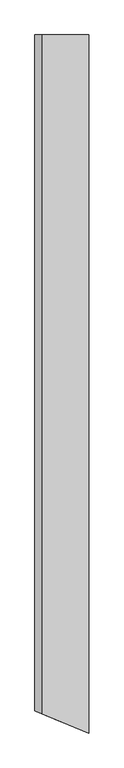
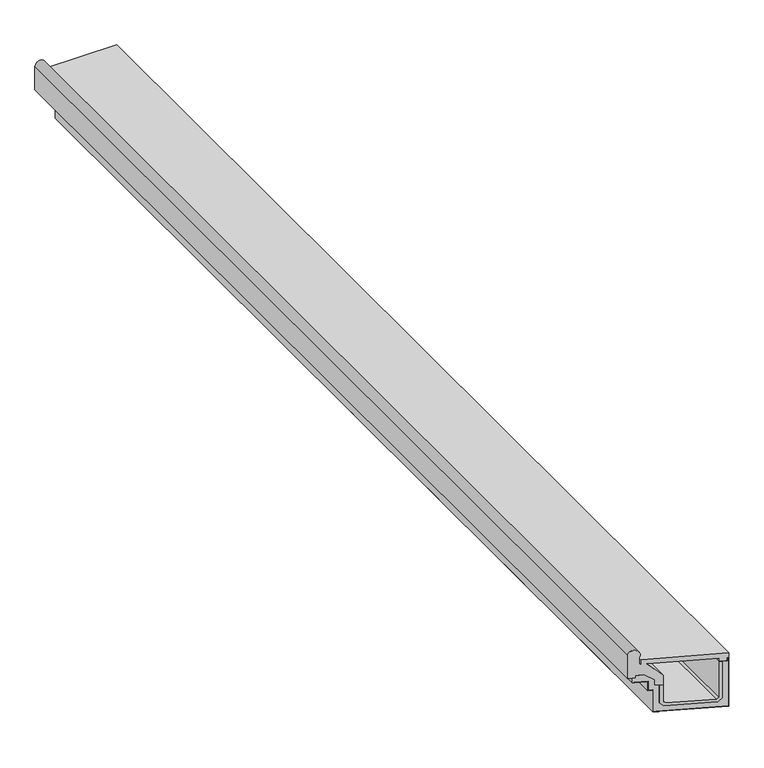
"""IFC4 building model written with IfcOpenShell, lengths in millimetres: proxy geometry."""

from ifc_helpers import new_model, si_unit, frame, origin, place, context, project, spatial, circle_curve, ellipse_curve, faceted_brep, source, transform, mapped, element, save
from ifc_brep_helpers import plane_surface, cylinder_surface, advanced_brep


def generic_models_37e9f6eb(model_context):
    return source(origin(), model_context, "Body", "SolidModel", [
        faceted_brep([(100.0, 2084.0696629, 35.6610034), (100.0, 2084.0696629, 108.8368406), (112.0, 2084.0696629, 108.8368406), (112.0, 2084.0696629, 40.6315661), (119.6315661, 2084.0696629, 33.0), (280.3684339, 2084.0696629, 33.0), (288.0, 2084.0696629, 40.6315661), (288.0, 2084.0696629, 189.0), (300.0, 2084.0696629, 189.0), (300.0, 2084.0696629, 35.6610034), (285.3389966, 2084.0696629, 21.0), (114.6610034, 2084.0696629, 21.0), (100.0, -1992.5284656, 35.6610034), (100.0, -1992.5284656, 108.8368406), (112.0, -1997.4990283, 108.8368406), (112.0, -1997.4990283, 40.6315661), (119.6315661, -2000.6601265, 33.0), (280.3684339, -2067.2395171, 33.0), (288.0, -2070.4006153, 40.6315661), (288.0, -2070.4006153, 189.0), (300.0, -2075.371178, 189.0), (300.0, -2075.371178, 35.6610034), (285.3389966, -2069.2983916, 21.0), (114.6610034, -1998.601252, 21.0)], [[[0, 1, 2, 3, 4, 5, 6, 7, 8, 9, 10, 11]], [[1, 0, 12, 13]], [[2, 1, 13, 14]], [[3, 2, 14, 15]], [[4, 3, 15, 16]], [[5, 4, 16, 17]], [[6, 5, 17, 18]], [[7, 6, 18, 19]], [[8, 7, 19, 20]], [[9, 8, 20, 21]], [[10, 9, 21, 22]], [[11, 10, 22, 23]], [[0, 11, 23, 12]], [[13, 12, 23, 22, 21, 20, 19, 18, 17, 16, 15, 14]]]),
        faceted_brep([(321.0, -2084.0696629, 201.0), (320.0, -2083.6554493, 201.0), (320.0, -2083.6554493, 1.0), (80.0, -1984.2441943, 1.0), (80.0, -1984.2441943, 90.8368406), (65.0, -1978.0309909, 90.8368406), (65.0, -1978.0309909, 128.0), (20.0, -1959.3913806, 128.0), (20.0, -1959.3913806, 127.0), (64.0, -1977.6167773, 127.0), (64.0, -1977.6167773, 89.8368406), (79.0, -1983.8299808, 89.8368406), (79.0, -1983.8299808, 0.0), (321.0, -2084.0696629, 0.0), (321.0, 2084.0696629, 201.0), (320.0, 2084.0696629, 201.0), (321.0, 2084.0696629, 0.0), (79.0, 2084.0696629, 0.0), (79.0, 2084.0696629, 89.8368406), (64.0, 2084.0696629, 89.8368406), (64.0, 2084.0696629, 127.0), (20.0, 2084.0696629, 127.0), (20.0, 2084.0696629, 128.0), (65.0, 2084.0696629, 128.0), (65.0, 2084.0696629, 90.8368406), (80.0, 2084.0696629, 90.8368406), (80.0, 2084.0696629, 1.0), (320.0, 2084.0696629, 1.0)], [[[0, 1, 2, 3, 4, 5, 6, 7, 8, 9, 10, 11, 12, 13]], [[14, 15, 1, 0]], [[16, 14, 0, 13]], [[17, 16, 13, 12]], [[18, 17, 12, 11]], [[19, 18, 11, 10]], [[20, 19, 10, 9]], [[21, 20, 9, 8]], [[22, 21, 8, 7]], [[23, 22, 7, 6]], [[24, 23, 6, 5]], [[25, 24, 5, 4]], [[26, 25, 4, 3]], [[27, 26, 3, 2]], [[15, 27, 2, 1]], [[15, 14, 16, 17, 18, 19, 20, 21, 22, 23, 24, 25, 26, 27]]]),
        faceted_brep([(300.0, -2075.371178, 35.6610034), (285.3389966, -2069.2983916, 21.0), (114.6610034, -1998.601252, 21.0), (100.0, -1992.5284656, 35.6610034), (100.0, -1992.5284656, 108.8368406), (85.0, -1986.3152621, 108.8368406), (85.0, -1986.3152621, 132.3375819), (50.4946801, -1972.0226906, 156.0), (25.5239009, -1961.6794553, 156.0), (25.5239009, -1961.6794553, 146.0), (15.0, -1957.3203128, 146.0), (15.0, -1957.3203128, 127.0), (20.0, -1959.3913806, 127.0), (20.0, -1959.3913806, 128.0), (65.0, -1978.0309909, 128.0), (65.0, -1978.0309909, 90.8368406), (80.0, -1984.2441943, 90.8368406), (80.0, -1984.2441943, 1.0), (320.0, -2083.6554493, 1.0), (320.0, -2083.6554493, 201.0), (315.0, -2081.5843815, 201.0), (315.0, -2081.5843815, 189.0), (300.0, -2075.371178, 189.0), (300.0, 2084.0696629, 35.6610034), (285.3389966, 2084.0696629, 21.0), (300.0, 2084.0696629, 189.0), (315.0, 2084.0696629, 189.0), (315.0, 2084.0696629, 201.0), (320.0, 2084.0696629, 201.0), (320.0, 2084.0696629, 1.0), (80.0, 2084.0696629, 1.0), (80.0, 2084.0696629, 90.8368406), (65.0, 2084.0696629, 90.8368406), (65.0, 2084.0696629, 128.0), (20.0, 2084.0696629, 128.0), (15.0, 2084.0696629, 146.0), (15.0, 2084.0696629, 127.0), (25.5239009, 2084.0696629, 146.0), (25.5239009, 2084.0696629, 156.0), (50.4946801, 2084.0696629, 156.0), (85.0, 2084.0696629, 132.3375819), (85.0, 2084.0696629, 108.8368406), (100.0, 2084.0696629, 108.8368406), (100.0, 2084.0696629, 35.6610034), (114.6610034, 2084.0696629, 21.0), (20.0, 2084.0696629, 127.0)], [[[0, 1, 2, 3, 4, 5, 6, 7, 8, 9, 10, 11, 12, 13, 14, 15, 16, 17, 18, 19, 20, 21, 22]], [[23, 24, 1, 0]], [[25, 23, 0, 22]], [[26, 25, 22, 21]], [[27, 26, 21, 20]], [[28, 27, 20, 19]], [[29, 28, 19, 18]], [[30, 29, 18, 17]], [[31, 30, 17, 16]], [[32, 31, 16, 15]], [[33, 32, 15, 14]], [[34, 33, 14, 13]], [[35, 36, 11, 10]], [[37, 35, 10, 9]], [[38, 37, 9, 8]], [[39, 38, 8, 7]], [[40, 39, 7, 6]], [[41, 40, 6, 5]], [[42, 41, 5, 4]], [[43, 42, 4, 3]], [[44, 43, 3, 2]], [[45, 34, 13, 12]], [[36, 45, 12, 11]], [[24, 44, 2, 1]], [[23, 25, 26, 27, 28, 29, 30, 31, 32, 33, 34, 45, 36, 35, 37, 38, 39, 40, 41, 42, 43, 44, 24]]]),
        advanced_brep(
        [(19.9086814, -1959.3535552, 261.0), (0.0, -1951.1071093, 242.9090321), (0.0, -1951.1071093, 146.0), (25.5239009, -1961.6794553, 146.0), (25.5239009, -1961.6794553, 156.0), (50.4946801, -1972.0226906, 156.0), (85.0, -1986.3152621, 132.3375819), (85.0, -1986.3152621, 108.8368406), (112.0, -1997.4990283, 108.8368406), (112.0, -1997.4990283, 148.3590719), (60.9968134, -1976.3728167, 201.0), (288.0, -2070.4006153, 201.0), (288.0, -2070.4006153, 189.0), (315.0, -2081.5843815, 189.0), (315.0, -2081.5843815, 201.0), (321.0, -2084.0696629, 201.0), (321.0, -2084.0696629, 221.0), (40.9968134, -1968.0885454, 221.0), (40.9968134, -1968.0885454, 201.0), (35.9968134, -1966.0174776, 201.0), (35.9968134, -1966.0174776, 229.1184171), (35.9968134, 2084.0696629, 229.1184171), (0.0, 2084.0696629, 242.9090321), (35.9968134, 2084.0696629, 201.0), (321.0, 2084.0696629, 221.0), (40.9968134, 2084.0696629, 221.0), (315.0, 2084.0696629, 201.0), (321.0, 2084.0696629, 201.0), (315.0, 2084.0696629, 189.0), (288.0, 2084.0696629, 189.0), (112.0, 2084.0696629, 108.8368406), (85.0, 2084.0696629, 108.8368406), (85.0, 2084.0696629, 132.3375819), (50.4946801, 2084.0696629, 156.0), (25.5239009, 2084.0696629, 156.0), (25.5239009, 2084.0696629, 146.0), (0.0, 2084.0696629, 146.0), (40.9968134, 2084.0696629, 201.0), (288.0, 2084.0696629, 201.0), (60.9968134, 2084.0696629, 201.0), (112.0, 2084.0696629, 148.3590719)],
        [
            (0, 1, ellipse_curve(frame((19.9086814, -1959.3535552, 241.0), z_axis=(-0.3826834323650891, -0.9238795325112871, 0.0), x_axis=(-0.9238795325112873, 0.38268343236508884, 0.0)), 21.647844, 20.0)),
            (1, 2),
            (2, 3),
            (3, 4),
            (4, 5),
            (5, 6),
            (6, 7),
            (7, 8),
            (8, 9),
            (9, 10),
            (10, 11),
            (11, 12),
            (12, 13),
            (13, 14),
            (14, 15),
            (15, 16),
            (16, 17),
            (17, 18),
            (18, 19),
            (19, 20),
            (20, 0, ellipse_curve(frame((19.9086814, -1959.3535552, 241.0), z_axis=(-0.3826834323650891, -0.9238795325112871, 0.0), x_axis=(-0.9238795325112873, 0.38268343236508884, 0.0)), 21.647844, 20.0)),
            (21, 22, circle_curve(frame((19.9086814, 2084.0696629, 241.0), z_axis=(0.0, -1.0, 0.0), x_axis=(1.0, 0.0, 0.0)), 20.0)),
            (22, 1),
            (20, 21),
            (19, 23),
            (23, 21),
            (16, 24),
            (24, 25),
            (25, 17),
            (26, 27),
            (27, 15),
            (14, 26),
            (28, 26),
            (13, 28),
            (12, 29),
            (29, 28),
            (30, 8),
            (7, 31),
            (31, 30),
            (32, 31),
            (6, 32),
            (33, 32),
            (5, 33),
            (34, 33),
            (4, 34),
            (35, 34),
            (3, 35),
            (36, 35),
            (2, 36),
            (22, 36),
            (27, 24),
            (23, 37),
            (37, 25),
            (29, 38),
            (38, 39),
            (39, 40),
            (40, 30),
            (18, 37),
            (40, 9),
            (11, 38),
            (10, 39),
        ],
        [
            plane_surface(frame((321.0, -2084.0696629, 261.0), z_axis=(-0.3826834323650891, -0.9238795325112871, 0.0), x_axis=(0.0, 0.0, -1.0))),
            cylinder_surface(frame((19.9086814, 2084.0696629, 241.0), z_axis=(0.0, 1.0, 0.0), x_axis=(1.0, 0.0, 0.0)), 20.0),
            plane_surface(frame((35.9968134, 2084.0696629, 229.1184171), z_axis=(1.0, 0.0, 0.0), x_axis=(0.0, -1.0, 0.0))),
            plane_surface(frame((35.9968134, 2084.0696629, 221.0), z_axis=(0.0, 0.0, 1.0), x_axis=(0.0, -1.0, 0.0))),
            plane_surface(frame((321.0, 2084.0696629, 201.0), z_axis=(0.0, 0.0, -1.0), x_axis=(0.0, -1.0, 0.0))),
            plane_surface(frame((315.0, 2084.0696629, 201.0), z_axis=(1.0, 0.0, 0.0), x_axis=(0.0, -1.0, 0.0))),
            plane_surface(frame((315.0, 2084.0696629, 189.0), z_axis=(0.0, 0.0, -1.0), x_axis=(0.0, -1.0, 0.0))),
            plane_surface(frame((100.0, 2084.0696629, 108.8368406), z_axis=(0.0, 0.0, -1.0), x_axis=(0.0, -1.0, 0.0))),
            plane_surface(frame((85.0, 2084.0696629, 108.8368406), z_axis=(-1.0, 0.0, 0.0), x_axis=(0.0, -1.0, 0.0))),
            plane_surface(frame((85.0, 2084.0696629, 132.3375819), z_axis=(-0.5655548098949021, 0.0, -0.8247107111010146), x_axis=(0.0, -1.0, 0.0))),
            plane_surface(frame((50.4946801, 2084.0696629, 156.0), z_axis=(0.0, 0.0, -1.0), x_axis=(0.0, -1.0, 0.0))),
            plane_surface(frame((25.5239009, 2084.0696629, 156.0), z_axis=(1.0, 0.0, 0.0), x_axis=(0.0, -1.0, 0.0))),
            plane_surface(frame((25.5239009, 2084.0696629, 146.0), z_axis=(0.0, 0.0, -1.0), x_axis=(0.0, -1.0, 0.0))),
            plane_surface(frame((0.0, 2084.0696629, 146.0), z_axis=(-1.0, 0.0, 0.0), x_axis=(0.0, -1.0, 0.0))),
            plane_surface(frame((321.0, 2084.0696629, 221.0), z_axis=(1.0, 0.0, 0.0), x_axis=(0.0, -1.0, 0.0))),
            plane_surface(frame((0.0, 2084.0696629, 21.0), z_axis=(0.0, 1.0, 0.0), x_axis=(0.0, 0.0, 1.0))),
            plane_surface(frame((35.9968134, -2084.0696629, 201.0), z_axis=(0.0, 0.0, 1.0), x_axis=(0.0, 1.0, 0.0))),
            plane_surface(frame((40.9968134, -2084.0696629, 201.0), z_axis=(-1.0, 0.0, 0.0), x_axis=(0.0, 1.0, 0.0))),
            plane_surface(frame((112.0, -2084.0696629, 148.3590719), z_axis=(1.0, 0.0, 0.0), x_axis=(0.0, 1.0, 0.0))),
            plane_surface(frame((288.0, -2084.0696629, 189.0), z_axis=(-1.0, 0.0, 0.0), x_axis=(0.0, 1.0, 0.0))),
            plane_surface(frame((288.0, -2084.0696629, 201.0), z_axis=(0.0, 0.0, -1.0), x_axis=(0.0, 1.0, 0.0))),
            plane_surface(frame((60.9968134, -2084.0696629, 201.0), z_axis=(0.7181905333295423, 0.0, 0.6958465045078746), x_axis=(0.0, 1.0, 0.0))),
        ],
        [
            (0, [[1, 2, 3, 4, 5, 6, 7, 8, 9, 10, 11, 12, 13, 14, 15, 16, 17, 18, 19, 20, 21]]),
            (1, [[22, 23, -1, -21, 24]]),
            (2, [[-24, -20, 25, 26]]),
            (3, [[27, 28, 29, -17]]),
            (4, [[30, 31, -15, 32]]),
            (5, [[33, -32, -14, 34]]),
            (6, [[-34, -13, 35, 36]]),
            (7, [[37, -8, 38, 39]]),
            (8, [[40, -38, -7, 41]]),
            (9, [[42, -41, -6, 43]]),
            (10, [[44, -43, -5, 45]]),
            (11, [[46, -45, -4, 47]]),
            (12, [[48, -47, -3, 49]]),
            (13, [[50, -49, -2, -23]]),
            (14, [[51, -27, -16, -31]]),
            (15, [[-22, -26, 52, 53, -28, -51, -30, -33, -36, 54, 55, 56, 57, -39, -40, -42, -44, -46, -48, -50]]),
            (16, [[-25, -19, 58, -52]]),
            (17, [[-58, -18, -29, -53]]),
            (18, [[59, -9, -37, -57]]),
            (19, [[-35, -12, 60, -54]]),
            (20, [[-60, -11, 61, -55]]),
            (21, [[-59, -56, -61, -10]]),
        ],
    ),
    ])


if __name__ == "__main__":
    model = new_model("IFC4")
    model_context = context("Model", 3, world=origin())
    ifc_project = project(units=[si_unit("LENGTHUNIT", "METRE", prefix="MILLI")], contexts=[model_context])
    site = spatial("IfcSite", under=ifc_project)
    building = spatial("IfcBuilding", under=site)
    placement = place(None, origin())
    generic_models_shape = generic_models_37e9f6eb(model_context)
    element("IfcBuildingElementProxy", 1, Name="Generic Models", at=placement, inside=building, context=model_context, shape_type="MappedRepresentation", body=[
        mapped(generic_models_shape, transform((0.0, 0.0, 0.0), x_axis=(1.0, 0.0, 0.0), y_axis=(0.0, 1.0, 0.0), z_axis=(0.0, 0.0, 1.0))),
    ])
    save(model, "model.ifc")
